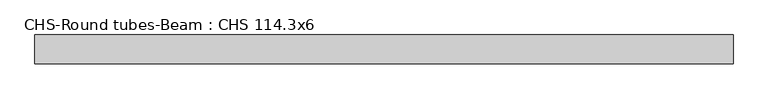
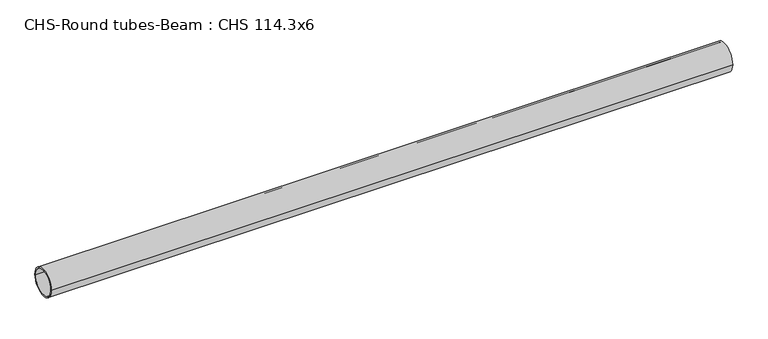
"""IFC4 building model written with IfcOpenShell, lengths in millimetres: beam geometry, CHS-Round tubes-Beam : CHS 114.3x6."""

from ifc_helpers import new_model, si_unit, point, frame, origin, origin_2d, place, context, project, spatial, circle_curve, trimmed, segment, composite_curve, outline, extrude, source, transform, mapped, element, save


def chs_round_tubes_beam_chs_114_3x6_1f8654b3(model_context):
    return source(origin(), model_context, "Body", "SweptSolid", [
        extrude(outline(composite_curve([segment(trimmed(circle_curve(origin_2d(), 57.15), [point((57.15, 0.0))], [point((-57.15, 0.0))], False, "CARTESIAN"), True, "CONTINUOUS"), segment(trimmed(circle_curve(origin_2d(), 57.15), [point((-57.15, 0.0))], [point((57.15, 0.0))], False, "CARTESIAN"), True, "CONTINUOUS")], self_intersect=False), holes=[composite_curve([segment(trimmed(circle_curve(origin_2d(), 51.15), [point((51.15, 0.0))], [point((-51.15, 0.0))], True, "CARTESIAN"), True, "CONTINUOUS"), segment(trimmed(circle_curve(origin_2d(), 51.15), [point((-51.15, 0.0))], [point((51.15, 0.0))], True, "CARTESIAN"), True, "CONTINUOUS")], self_intersect=False)]), frame((-1291.3445795, 0.0, 0.0), z_axis=(1.0, 0.0, 0.0), x_axis=(0.0, 1.0, 0.0)), (0.0, 0.0, 1.0), 2746.0373485),
    ])


if __name__ == "__main__":
    model = new_model("IFC4")
    model_context = context("Model", 3, world=origin())
    ifc_project = project(units=[si_unit("LENGTHUNIT", "METRE", prefix="MILLI")], contexts=[model_context])
    site = spatial("IfcSite", under=ifc_project)
    building = spatial("IfcBuilding", under=site)
    placement = place(None, origin())
    chs_round_tubes_beam_chs_114_3x6_shape = chs_round_tubes_beam_chs_114_3x6_1f8654b3(model_context)
    element("IfcBeam", 1, ObjectType="CHS-Round tubes-Beam : CHS 114.3x6", at=placement, inside=building, context=model_context, shape_type="MappedRepresentation", body=[
        mapped(chs_round_tubes_beam_chs_114_3x6_shape, transform((0.0, 0.0, 0.0), x_axis=(1.0, 0.0, 0.0), y_axis=(0.0, 1.0, 0.0), z_axis=(0.0, 0.0, 1.0))),
    ])
    save(model, "model.ifc")
